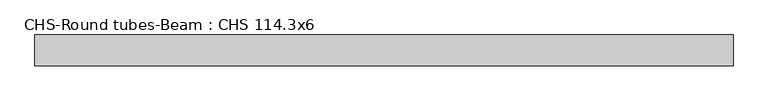
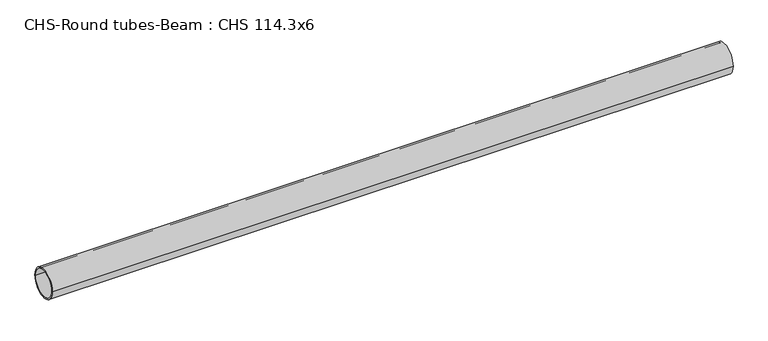
"""IFC4 building model written with IfcOpenShell, lengths in millimetres: beam geometry, CHS-Round tubes-Beam : CHS 114.3x6."""

from ifc_helpers import new_model, si_unit, point, frame, origin, origin_2d, place, context, project, spatial, circle_curve, trimmed, segment, composite_curve, outline, extrude, source, transform, mapped, element, save


def chs_round_tubes_beam_chs_114_3x6_7b6f1bed(model_context):
    return source(origin(), model_context, "Body", "SweptSolid", [
        extrude(outline(composite_curve([segment(trimmed(circle_curve(origin_2d(), 57.15), [point((57.15, 0.0))], [point((-57.15, 0.0))], False, "CARTESIAN"), True, "CONTINUOUS"), segment(trimmed(circle_curve(origin_2d(), 57.15), [point((-57.15, 0.0))], [point((57.15, 0.0))], False, "CARTESIAN"), True, "CONTINUOUS")], self_intersect=False), holes=[composite_curve([segment(trimmed(circle_curve(origin_2d(), 51.15), [point((51.15, 0.0))], [point((-51.15, 0.0))], True, "CARTESIAN"), True, "CONTINUOUS"), segment(trimmed(circle_curve(origin_2d(), 51.15), [point((-51.15, 0.0))], [point((51.15, 0.0))], True, "CARTESIAN"), True, "CONTINUOUS")], self_intersect=False)]), frame((-1218.1742452, 0.0, 0.0), z_axis=(1.0, 0.0, 0.0), x_axis=(0.0, 1.0, 0.0)), (0.0, 0.0, 1.0), 2587.13998),
    ])


if __name__ == "__main__":
    model = new_model("IFC4")
    model_context = context("Model", 3, world=origin())
    ifc_project = project(units=[si_unit("LENGTHUNIT", "METRE", prefix="MILLI")], contexts=[model_context])
    site = spatial("IfcSite", under=ifc_project)
    building = spatial("IfcBuilding", under=site)
    placement = place(None, origin())
    chs_round_tubes_beam_chs_114_3x6_shape = chs_round_tubes_beam_chs_114_3x6_7b6f1bed(model_context)
    element("IfcBeam", 1, ObjectType="CHS-Round tubes-Beam : CHS 114.3x6", at=placement, inside=building, context=model_context, shape_type="MappedRepresentation", body=[
        mapped(chs_round_tubes_beam_chs_114_3x6_shape, transform((0.0, 0.0, 0.0), x_axis=(1.0, 0.0, 0.0), y_axis=(0.0, 1.0, 0.0), z_axis=(0.0, 0.0, 1.0))),
    ])
    save(model, "model.ifc")
